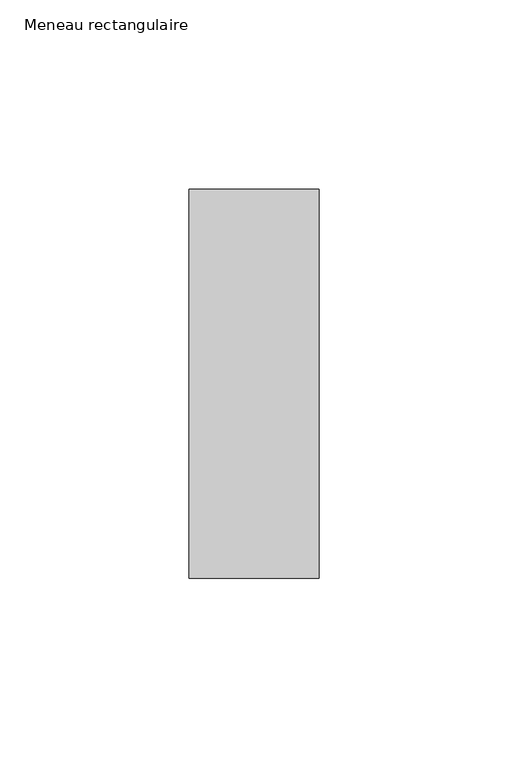
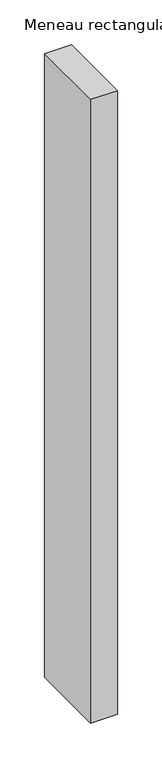
"""IFC4 building model written with IfcOpenShell, lengths in millimetres: member geometry, Meneau rectangulaire."""

from ifc_helpers import new_model, si_unit, frame, origin, place, context, project, spatial, polyline, outline, extrude, source, transform, mapped, element, save


def meneau_rectangulaire_1b56a44b(model_context):
    return source(origin(), model_context, "Body", "SweptSolid", [
        extrude(outline(polyline([(0.0, 51.5), (0.0, -51.5), (-34.5, -51.5), (-34.5, 51.5), (0.0, 51.5)])), frame((0.0, 0.0, -850.7695155), z_axis=(0.0, 0.0, 1.0), x_axis=(1.0, 0.0, 0.0)), (0.0, 0.0, 1.0), 850.7695155),
    ])


if __name__ == "__main__":
    model = new_model("IFC4")
    model_context = context("Model", 3, world=origin())
    ifc_project = project(units=[si_unit("LENGTHUNIT", "METRE", prefix="MILLI")], contexts=[model_context])
    site = spatial("IfcSite", under=ifc_project)
    building = spatial("IfcBuilding", under=site)
    placement = place(None, origin())
    meneau_rectangulaire_shape = meneau_rectangulaire_1b56a44b(model_context)
    element("IfcMember", 1, ObjectType="Meneau rectangulaire", at=placement, inside=building, context=model_context, shape_type="MappedRepresentation", body=[
        mapped(meneau_rectangulaire_shape, transform((0.0, 0.0, 0.0), x_axis=(1.0, 0.0, 0.0), y_axis=(0.0, 1.0, 0.0), z_axis=(0.0, 0.0, 1.0))),
    ])
    save(model, "model.ifc")
